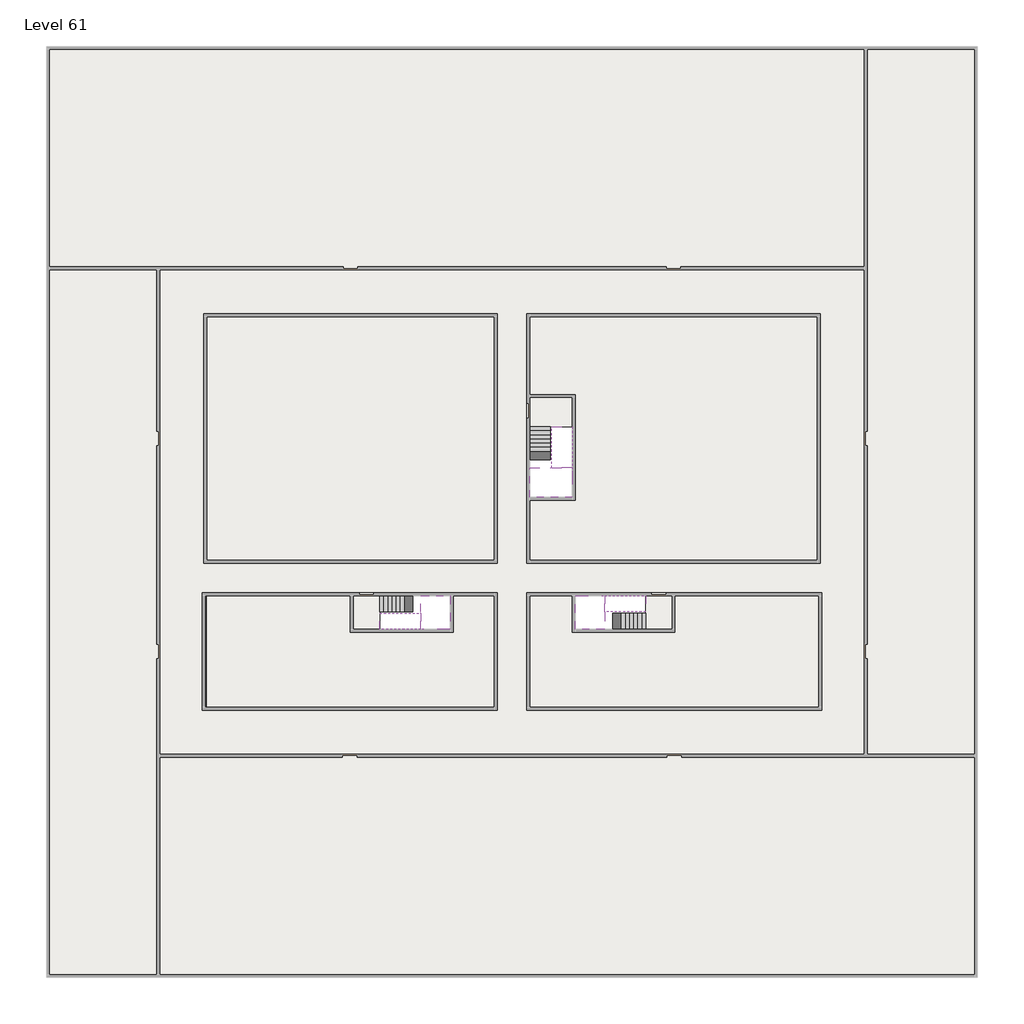
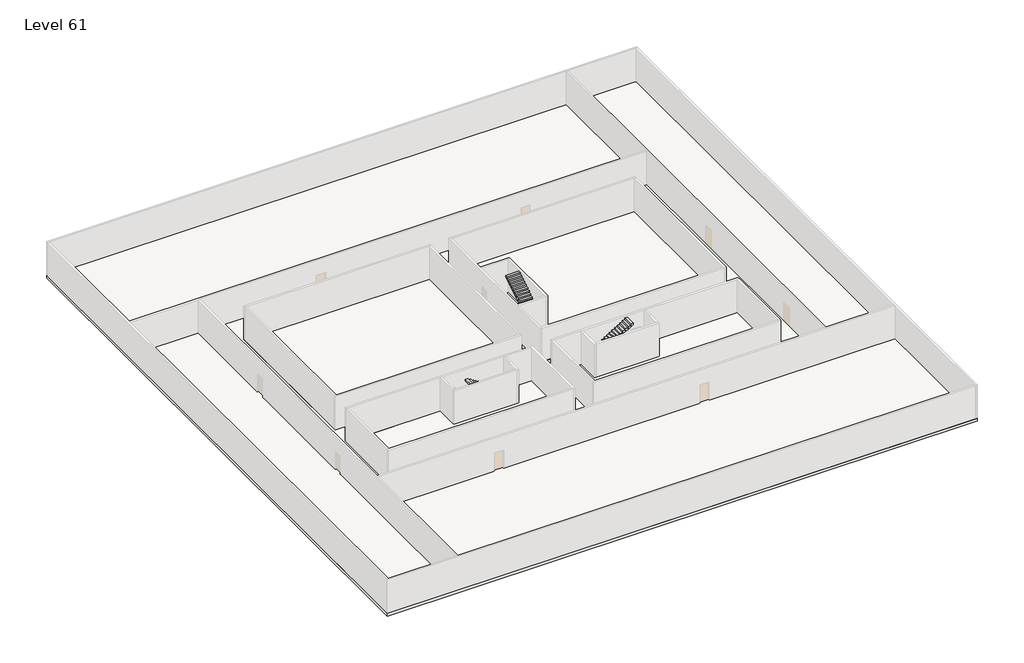
# One storey, part 2 of 2: 6 slabs, 6 stair flights.
"""IFC4 building model written with IfcOpenShell, lengths in millimetres."""

from ifc_helpers import new_model, si_unit, frame, origin, place, context, project, spatial, polyline, outline, extrude, faceted_brep, element, save

model = new_model("IFC4")

# Units and contexts
model_context = context("Model", 3, world=origin())
ifc_project = project(units=[si_unit("LENGTHUNIT", "METRE", prefix="MILLI")], contexts=[model_context])

# Site, building, storey
site = spatial("IfcSite", under=ifc_project)
building = spatial("IfcBuilding", under=site)
storey = spatial("IfcBuildingStorey", under=building, Name="Level 61", Elevation=228000.0)

# Slabs
placement = place(None, origin())
element("IfcSlab", 1, at=placement, inside=storey, context=model_context, shape_type="SweptSolid", body=[
    extrude(outline(polyline([(55890.1058784, -5518.09644), (55890.1058784, -68918.09644), (-7509.8941216, -68918.09644), (-7509.8941216, -5518.09644), (55890.1058784, -5518.09644)]), holes=[polyline([(23190.1058784, -23718.09644), (3190.1058784, -23718.09644), (3190.1058784, -40718.09644), (23190.1058784, -40718.09644), (23190.1058784, -23718.09644)]), polyline([(45190.1058784, -23718.09644), (25190.1058784, -23718.09644), (25190.1058784, -40718.09644), (45190.1058784, -40718.09644), (45190.1058784, -23718.09644)]), polyline([(23190.1058784, -50718.09644), (23190.1058784, -42718.09644), (3390.1058784, -42718.09644), (3390.1058784, -50718.09644), (23190.1058784, -50718.09644)]), polyline([(25190.1058784, -50718.09644), (45190.1058784, -50718.09644), (45190.1058784, -42718.09644), (25190.1058784, -42718.09644), (25190.1058784, -50718.09644)])]), frame((0.0, 0.0, 227700.0), z_axis=(0.0, 0.0, 1.0), x_axis=(1.0, 0.0, 0.0)), (0.0, 0.0, 1.0), 300.0),
])
element("IfcSlab", 2, at=placement, inside=storey, context=model_context, shape_type="Brep", body=[
    faceted_brep([(26790.1058784, -34218.09644, 229900.0), (25390.1058784, -34218.09644, 229900.0), (25390.1058784, -34297.4828763, 229900.0), (25390.1058784, -36218.09644, 229900.0), (28290.1058784, -36218.09644, 229900.0), (28290.1058784, -34418.7100038, 229900.0), (28290.1058784, -34218.09644, 229900.0), (26890.1058784, -34218.09644, 229900.0), (26790.1058784, -34218.09644, 229600.0), (26790.1058784, -34218.09644, 229551.0278478), (25390.1058784, -34218.09644, 229551.0278478), (25390.1058784, -34218.09644, 229727.2727273), (25390.1058784, -34297.4828763, 229600.0), (25390.1058784, -36218.09644, 229600.0), (28290.1058784, -36218.09644, 229600.0), (28290.1058784, -34418.7100038, 229600.0), (28290.1058784, -34218.09644, 229723.7551205), (26890.1058784, -34218.09644, 229723.7551205), (26890.1058784, -34218.09644, 229600.0), (26890.1058784, -34418.7100038, 229600.0), (26790.1058784, -34297.4828763, 229600.0)], [[[0, 1, 2, 3, 4, 5, 6, 7]], [[1, 0, 8, 9, 10, 11]], [[1, 11, 10, 12, 13, 3, 2]], [[4, 3, 13, 14]], [[4, 14, 15, 16, 6, 5]], [[7, 6, 16, 17]], [[0, 7, 17, 18, 8]], [[18, 19, 15, 14, 13, 12, 20, 8]], [[19, 18, 17]], [[20, 12, 10, 9]], [[8, 20, 9]], [[15, 19, 17, 16]]]),
])
element("IfcSlab", 3, at=placement, inside=storey, context=model_context, shape_type="SweptSolid", body=[
    extrude(outline(polyline([(22990.1058784, -23918.09644), (22990.1058784, -40518.09644), (3390.1058784, -40518.09644), (3390.1058784, -23918.09644), (22990.1058784, -23918.09644)])), frame((0.0, 0.0, 227700.0), z_axis=(0.0, 0.0, 1.0), x_axis=(1.0, 0.0, 0.0)), (0.0, 0.0, 1.0), 300.0),
    extrude(outline(polyline([(44990.1058784, -23918.09644), (44990.1058784, -40518.09644), (25390.1058784, -40518.09644), (25390.1058784, -36418.09644), (28490.1058784, -36418.09644), (28490.1058784, -29218.09644), (25390.1058784, -29218.09644), (25390.1058784, -23918.09644), (44990.1058784, -23918.09644)])), frame((0.0, 0.0, 227700.0), z_axis=(0.0, 0.0, 1.0), x_axis=(1.0, 0.0, 0.0)), (0.0, 0.0, 1.0), 300.0),
    extrude(outline(polyline([(22990.1058784, -42918.09644), (22990.1058784, -50518.09644), (3390.1058784, -50518.09644), (3390.1058784, -42918.09644), (13190.1058784, -42918.09644), (13190.1058784, -45418.09644), (20190.1058784, -45418.09644), (20190.1058784, -42918.09644), (22990.1058784, -42918.09644)])), frame((0.0, 0.0, 227700.0), z_axis=(0.0, 0.0, 1.0), x_axis=(1.0, 0.0, 0.0)), (0.0, 0.0, 1.0), 300.0),
    extrude(outline(polyline([(28290.1058784, -42918.09644), (28290.1058784, -45418.09644), (35290.1058784, -45418.09644), (35290.1058784, -42918.09644), (45090.1058784, -42918.09644), (45090.1058784, -50518.09644), (25390.1058784, -50518.09644), (25390.1058784, -42918.09644), (28290.1058784, -42918.09644)])), frame((0.0, 0.0, 227700.0), z_axis=(0.0, 0.0, 1.0), x_axis=(1.0, 0.0, 0.0)), (0.0, 0.0, 1.0), 300.0),
])
element("IfcSlab", 4, at=placement, inside=storey, context=model_context, shape_type="Brep", body=[
    faceted_brep([(30490.1058784, -45218.09644, 229900.0), (30490.1058784, -44118.09644, 229900.0), (30490.1058784, -44018.09644, 229900.0), (30490.1058784, -42918.09644, 229900.0), (30289.4923146, -42918.09644, 229900.0), (28490.1058784, -42918.09644, 229900.0), (28490.1058784, -45218.09644, 229900.0), (30410.7194421, -45218.09644, 229900.0), (30490.1058784, -45218.09644, 229727.2727273), (30490.1058784, -45218.09644, 229551.0278478), (30490.1058784, -44118.09644, 229551.0278478), (30490.1058784, -44118.09644, 229600.0), (30490.1058784, -44018.09644, 229600.0), (30490.1058784, -44018.09644, 229723.7551205), (30490.1058784, -42918.09644, 229723.7551205), (30289.4923146, -42918.09644, 229600.0), (28490.1058784, -42918.09644, 229600.0), (28490.1058784, -45218.09644, 229600.0), (30410.7194421, -45218.09644, 229600.0), (30289.4923146, -44018.09644, 229600.0), (30410.7194421, -44118.09644, 229600.0)], [[[0, 1, 2, 3, 4, 5, 6, 7]], [[1, 0, 8, 9, 10, 11]], [[2, 1, 11, 12, 13]], [[3, 2, 13, 14]], [[3, 14, 15, 16, 5, 4]], [[6, 5, 16, 17]], [[9, 8, 0, 7, 6, 17, 18]], [[19, 12, 11, 20, 18, 17, 16, 15]], [[12, 19, 13]], [[18, 20, 10, 9]], [[20, 11, 10]], [[19, 15, 14, 13]]]),
])
element("IfcSlab", 5, at=placement, inside=storey, context=model_context, shape_type="Brep", body=[
    faceted_brep([(17990.1058784, -42918.09644, 229900.0), (17990.1058784, -44018.09644, 229900.0), (17990.1058784, -44118.09644, 229900.0), (17990.1058784, -45218.09644, 229900.0), (18190.7194421, -45218.09644, 229900.0), (19990.1058784, -45218.09644, 229900.0), (19990.1058784, -42918.09644, 229900.0), (18069.4923146, -42918.09644, 229900.0), (17990.1058784, -42918.09644, 229727.2727273), (17990.1058784, -42918.09644, 229551.0278478), (17990.1058784, -44018.09644, 229551.0278478), (17990.1058784, -44018.09644, 229600.0), (17990.1058784, -44118.09644, 229600.0), (17990.1058784, -44118.09644, 229723.7551205), (17990.1058784, -45218.09644, 229723.7551205), (18190.7194421, -45218.09644, 229600.0), (19990.1058784, -45218.09644, 229600.0), (19990.1058784, -42918.09644, 229600.0), (18069.4923146, -42918.09644, 229600.0), (18190.7194421, -44118.09644, 229600.0), (18069.4923146, -44018.09644, 229600.0)], [[[0, 1, 2, 3, 4, 5, 6, 7]], [[1, 0, 8, 9, 10, 11]], [[2, 1, 11, 12, 13]], [[3, 2, 13, 14]], [[3, 14, 15, 16, 5, 4]], [[6, 5, 16, 17]], [[9, 8, 0, 7, 6, 17, 18]], [[19, 12, 11, 20, 18, 17, 16, 15]], [[12, 19, 13]], [[18, 20, 10, 9]], [[20, 11, 10]], [[19, 15, 14, 13]]]),
])
element("IfcSlab", 6, at=placement, inside=storey, context=model_context, shape_type="SweptSolid", body=[
    extrude(outline(polyline([(25190.1058784, -29418.09644), (28290.1058784, -29418.09644), (28290.1058784, -31418.09644), (25190.1058784, -31418.09644), (25190.1058784, -29418.09644)])), frame((0.0, 0.0, 227700.0), z_axis=(0.0, 0.0, 1.0), x_axis=(1.0, 0.0, 0.0)), (0.0, 0.0, 1.0), 300.0),
    extrude(outline(polyline([(15190.1058784, -45218.09644), (13390.1058784, -45218.09644), (13390.1058784, -42718.09644), (15190.1058784, -42718.09644), (15190.1058784, -45218.09644)])), frame((0.0, 0.0, 227700.0), z_axis=(0.0, 0.0, 1.0), x_axis=(1.0, 0.0, 0.0)), (0.0, 0.0, 1.0), 300.0),
    extrude(outline(polyline([(35090.1058784, -45218.09644), (33290.1058784, -45218.09644), (33290.1058784, -42718.09644), (35090.1058784, -42718.09644), (35090.1058784, -45218.09644)])), frame((0.0, 0.0, 227700.0), z_axis=(0.0, 0.0, 1.0), x_axis=(1.0, 0.0, 0.0)), (0.0, 0.0, 1.0), 300.0),
])

# Stair flights
element("IfcStairFlight", 7, at=placement, inside=storey, context=model_context, shape_type="Brep", body=[
    faceted_brep([(26790.1058784, -31698.09644, 228172.7272727), (26790.1058784, -31418.09644, 228172.7272727), (25390.1058784, -31418.09644, 228172.7272727), (25390.1058784, -31698.09644, 228172.7272727), (26790.1058784, -31698.09644, 228000.0), (26790.1058784, -31418.09644, 228000.0), (25390.1058784, -31418.09644, 228000.0), (25390.1058784, -31698.09644, 228000.0), (26790.1058784, -31978.09644, 228345.4545455), (26790.1058784, -31698.09644, 228345.4545455), (25390.1058784, -31698.09644, 228345.4545455), (25390.1058784, -31978.09644, 228345.4545455), (26790.1058784, -31978.09644, 228169.209666), (26790.1058784, -31703.7986657, 228000.0), (25390.1058784, -31703.7986657, 228000.0), (25390.1058784, -31978.09644, 228169.209666), (26790.1058784, -32258.09644, 228518.1818182), (26790.1058784, -31978.09644, 228518.1818182), (25390.1058784, -31978.09644, 228518.1818182), (25390.1058784, -32258.09644, 228518.1818182), (26790.1058784, -32258.09644, 228341.9369387), (25390.1058784, -32258.09644, 228341.9369387), (26790.1058784, -32538.09644, 228690.9090909), (26790.1058784, -32258.09644, 228690.9090909), (25390.1058784, -32258.09644, 228690.9090909), (25390.1058784, -32538.09644, 228690.9090909), (26790.1058784, -32538.09644, 228514.6642114), (25390.1058784, -32538.09644, 228514.6642114), (26790.1058784, -32818.09644, 228863.6363636), (26790.1058784, -32538.09644, 228863.6363636), (25390.1058784, -32538.09644, 228863.6363636), (25390.1058784, -32818.09644, 228863.6363636), (26790.1058784, -32818.09644, 228687.3914841), (25390.1058784, -32818.09644, 228687.3914841), (26790.1058784, -33098.09644, 229036.3636364), (26790.1058784, -32818.09644, 229036.3636364), (25390.1058784, -32818.09644, 229036.3636364), (25390.1058784, -33098.09644, 229036.3636364), (26790.1058784, -33098.09644, 228860.1187569), (25390.1058784, -33098.09644, 228860.1187569), (26790.1058784, -33378.09644, 229209.0909091), (26790.1058784, -33098.09644, 229209.0909091), (25390.1058784, -33098.09644, 229209.0909091), (25390.1058784, -33378.09644, 229209.0909091), (26790.1058784, -33378.09644, 229032.8460296), (25390.1058784, -33378.09644, 229032.8460296), (26790.1058784, -33658.09644, 229381.8181818), (26790.1058784, -33378.09644, 229381.8181818), (25390.1058784, -33378.09644, 229381.8181818), (25390.1058784, -33658.09644, 229381.8181818), (26790.1058784, -33658.09644, 229205.5733023), (25390.1058784, -33658.09644, 229205.5733023), (26790.1058784, -33938.09644, 229554.5454545), (26790.1058784, -33658.09644, 229554.5454545), (25390.1058784, -33658.09644, 229554.5454545), (25390.1058784, -33938.09644, 229554.5454545), (26790.1058784, -33938.09644, 229378.3005751), (25390.1058784, -33938.09644, 229378.3005751), (26790.1058784, -34218.09644, 229727.2727273), (26790.1058784, -33938.09644, 229727.2727273), (25390.1058784, -33938.09644, 229727.2727273), (25390.1058784, -34218.09644, 229727.2727273), (26790.1058784, -34218.09644, 229600.0), (26790.1058784, -34218.09644, 229551.0278478), (25390.1058784, -34218.09644, 229551.0278478)], [[[0, 1, 2, 3]], [[1, 0, 4, 5]], [[2, 1, 5, 6]], [[3, 2, 6, 7]], [[8, 9, 10, 11]], [[4, 0, 9, 8, 12, 13]], [[0, 3, 10, 9]], [[3, 7, 14, 15, 11, 10]], [[16, 17, 18, 19]], [[17, 16, 20, 12, 8]], [[8, 11, 18, 17]], [[19, 18, 11, 15, 21]], [[22, 23, 24, 25]], [[23, 22, 26, 20, 16]], [[16, 19, 24, 23]], [[25, 24, 19, 21, 27]], [[28, 29, 30, 31]], [[29, 28, 32, 26, 22]], [[22, 25, 30, 29]], [[31, 30, 25, 27, 33]], [[34, 35, 36, 37]], [[35, 34, 38, 32, 28]], [[28, 31, 36, 35]], [[37, 36, 31, 33, 39]], [[40, 41, 42, 43]], [[41, 40, 44, 38, 34]], [[34, 37, 42, 41]], [[43, 42, 37, 39, 45]], [[46, 47, 48, 49]], [[47, 46, 50, 44, 40]], [[40, 43, 48, 47]], [[49, 48, 43, 45, 51]], [[52, 53, 54, 55]], [[53, 52, 56, 50, 46]], [[46, 49, 54, 53]], [[55, 54, 49, 51, 57]], [[58, 59, 60, 61]], [[59, 58, 62, 63, 56, 52]], [[52, 55, 60, 59]], [[61, 60, 55, 57, 64]], [[58, 61, 64, 63, 62]], [[5, 4, 13, 14, 7, 6]], [[14, 13, 12, 20, 26, 32, 38, 44, 50, 56, 63, 64, 57, 51, 45, 39, 33, 27, 21, 15]]]),
])
element("IfcStairFlight", 8, at=placement, inside=storey, context=model_context, shape_type="Brep", body=[
    faceted_brep([(26890.1058784, -33938.09644, 230072.7272727), (26890.1058784, -34218.09644, 230072.7272727), (28290.1058784, -34218.09644, 230072.7272727), (28290.1058784, -33938.09644, 230072.7272727), (26890.1058784, -33938.09644, 229896.4823932), (26890.1058784, -34218.09644, 229723.7551205), (28290.1058784, -34218.09644, 229723.7551205), (28290.1058784, -34218.09644, 229900.0), (28290.1058784, -33938.09644, 229896.4823932), (26890.1058784, -33658.09644, 230245.4545455), (26890.1058784, -33938.09644, 230245.4545455), (28290.1058784, -33938.09644, 230245.4545455), (28290.1058784, -33658.09644, 230245.4545455), (26890.1058784, -33658.09644, 230069.209666), (28290.1058784, -33658.09644, 230069.209666), (26890.1058784, -33378.09644, 230418.1818182), (26890.1058784, -33658.09644, 230418.1818182), (28290.1058784, -33658.09644, 230418.1818182), (28290.1058784, -33378.09644, 230418.1818182), (26890.1058784, -33378.09644, 230241.9369387), (28290.1058784, -33378.09644, 230241.9369387), (26890.1058784, -33098.09644, 230590.9090909), (26890.1058784, -33378.09644, 230590.9090909), (28290.1058784, -33378.09644, 230590.9090909), (28290.1058784, -33098.09644, 230590.9090909), (26890.1058784, -33098.09644, 230414.6642114), (28290.1058784, -33098.09644, 230414.6642114), (26890.1058784, -32818.09644, 230763.6363636), (26890.1058784, -33098.09644, 230763.6363636), (28290.1058784, -33098.09644, 230763.6363636), (28290.1058784, -32818.09644, 230763.6363636), (26890.1058784, -32818.09644, 230587.3914841), (28290.1058784, -32818.09644, 230587.3914841), (26890.1058784, -32538.09644, 230936.3636364), (26890.1058784, -32818.09644, 230936.3636364), (28290.1058784, -32818.09644, 230936.3636364), (28290.1058784, -32538.09644, 230936.3636364), (26890.1058784, -32538.09644, 230760.1187569), (28290.1058784, -32538.09644, 230760.1187569), (26890.1058784, -32258.09644, 231109.0909091), (26890.1058784, -32538.09644, 231109.0909091), (28290.1058784, -32538.09644, 231109.0909091), (28290.1058784, -32258.09644, 231109.0909091), (26890.1058784, -32258.09644, 230932.8460296), (28290.1058784, -32258.09644, 230932.8460296), (26890.1058784, -31978.09644, 231281.8181818), (26890.1058784, -32258.09644, 231281.8181818), (28290.1058784, -32258.09644, 231281.8181818), (28290.1058784, -31978.09644, 231281.8181818), (26890.1058784, -31978.09644, 231105.5733023), (28290.1058784, -31978.09644, 231105.5733023), (26890.1058784, -31698.09644, 231454.5454545), (26890.1058784, -31978.09644, 231454.5454545), (28290.1058784, -31978.09644, 231454.5454545), (28290.1058784, -31698.09644, 231454.5454545), (26890.1058784, -31698.09644, 231278.3005751), (28290.1058784, -31698.09644, 231278.3005751), (26890.1058784, -31418.09644, 231627.2727273), (26890.1058784, -31698.09644, 231627.2727273), (28290.1058784, -31698.09644, 231627.2727273), (28290.1058784, -31418.09644, 231627.2727273), (26890.1058784, -31418.09644, 231451.0278478), (28290.1058784, -31418.09644, 231451.0278478)], [[[0, 1, 2, 3]], [[1, 0, 4, 5]], [[2, 1, 5, 6, 7]], [[3, 2, 7, 6, 8]], [[9, 10, 11, 12]], [[10, 9, 13, 4, 0]], [[11, 10, 0, 3]], [[12, 11, 3, 8, 14]], [[15, 16, 17, 18]], [[16, 15, 19, 13, 9]], [[17, 16, 9, 12]], [[18, 17, 12, 14, 20]], [[21, 22, 23, 24]], [[22, 21, 25, 19, 15]], [[23, 22, 15, 18]], [[24, 23, 18, 20, 26]], [[27, 28, 29, 30]], [[28, 27, 31, 25, 21]], [[29, 28, 21, 24]], [[30, 29, 24, 26, 32]], [[33, 34, 35, 36]], [[34, 33, 37, 31, 27]], [[35, 34, 27, 30]], [[36, 35, 30, 32, 38]], [[39, 40, 41, 42]], [[40, 39, 43, 37, 33]], [[41, 40, 33, 36]], [[42, 41, 36, 38, 44]], [[45, 46, 47, 48]], [[46, 45, 49, 43, 39]], [[47, 46, 39, 42]], [[48, 47, 42, 44, 50]], [[51, 52, 53, 54]], [[52, 51, 55, 49, 45]], [[53, 52, 45, 48]], [[54, 53, 48, 50, 56]], [[57, 58, 59, 60]], [[58, 57, 61, 55, 51]], [[59, 58, 51, 54]], [[60, 59, 54, 56, 62]], [[57, 60, 62, 61]], [[5, 4, 13, 19, 25, 31, 37, 43, 49, 55, 61, 62, 56, 50, 44, 38, 32, 26, 20, 14, 8, 6]]]),
])
element("IfcStairFlight", 9, at=placement, inside=storey, context=model_context, shape_type="Brep", body=[
    faceted_brep([(33010.1058784, -45218.09644, 228172.7272727), (33290.1058784, -45218.09644, 228172.7272727), (33290.1058784, -44118.09644, 228172.7272727), (33010.1058784, -44118.09644, 228172.7272727), (33010.1058784, -45218.09644, 228000.0), (33290.1058784, -45218.09644, 228000.0), (33290.1058784, -44118.09644, 228000.0), (33010.1058784, -44118.09644, 228000.0), (32730.1058784, -45218.09644, 228345.4545455), (33010.1058784, -45218.09644, 228345.4545455), (33010.1058784, -44118.09644, 228345.4545455), (32730.1058784, -44118.09644, 228345.4545455), (32730.1058784, -45218.09644, 228169.209666), (33004.4036527, -45218.09644, 228000.0), (33004.4036527, -44118.09644, 228000.0), (32730.1058784, -44118.09644, 228169.209666), (32450.1058784, -45218.09644, 228518.1818182), (32730.1058784, -45218.09644, 228518.1818182), (32730.1058784, -44118.09644, 228518.1818182), (32450.1058784, -44118.09644, 228518.1818182), (32450.1058784, -45218.09644, 228341.9369387), (32450.1058784, -44118.09644, 228341.9369387), (32170.1058784, -45218.09644, 228690.9090909), (32450.1058784, -45218.09644, 228690.9090909), (32450.1058784, -44118.09644, 228690.9090909), (32170.1058784, -44118.09644, 228690.9090909), (32170.1058784, -45218.09644, 228514.6642114), (32170.1058784, -44118.09644, 228514.6642114), (31890.1058784, -45218.09644, 228863.6363636), (32170.1058784, -45218.09644, 228863.6363636), (32170.1058784, -44118.09644, 228863.6363636), (31890.1058784, -44118.09644, 228863.6363636), (31890.1058784, -45218.09644, 228687.3914841), (31890.1058784, -44118.09644, 228687.3914841), (31610.1058784, -45218.09644, 229036.3636364), (31890.1058784, -45218.09644, 229036.3636364), (31890.1058784, -44118.09644, 229036.3636364), (31610.1058784, -44118.09644, 229036.3636364), (31610.1058784, -45218.09644, 228860.1187569), (31610.1058784, -44118.09644, 228860.1187569), (31330.1058784, -45218.09644, 229209.0909091), (31610.1058784, -45218.09644, 229209.0909091), (31610.1058784, -44118.09644, 229209.0909091), (31330.1058784, -44118.09644, 229209.0909091), (31330.1058784, -45218.09644, 229032.8460296), (31330.1058784, -44118.09644, 229032.8460296), (31050.1058784, -45218.09644, 229381.8181818), (31330.1058784, -45218.09644, 229381.8181818), (31330.1058784, -44118.09644, 229381.8181818), (31050.1058784, -44118.09644, 229381.8181818), (31050.1058784, -45218.09644, 229205.5733023), (31050.1058784, -44118.09644, 229205.5733023), (30770.1058784, -45218.09644, 229554.5454545), (31050.1058784, -45218.09644, 229554.5454545), (31050.1058784, -44118.09644, 229554.5454545), (30770.1058784, -44118.09644, 229554.5454545), (30770.1058784, -45218.09644, 229378.3005751), (30770.1058784, -44118.09644, 229378.3005751), (30490.1058784, -45218.09644, 229727.2727273), (30770.1058784, -45218.09644, 229727.2727273), (30770.1058784, -44118.09644, 229727.2727273), (30490.1058784, -44118.09644, 229727.2727273), (30490.1058784, -45218.09644, 229551.0278478), (30490.1058784, -44118.09644, 229551.0278478), (30490.1058784, -44118.09644, 229600.0)], [[[0, 1, 2, 3]], [[1, 0, 4, 5]], [[2, 1, 5, 6]], [[3, 2, 6, 7]], [[8, 9, 10, 11]], [[4, 0, 9, 8, 12, 13]], [[0, 3, 10, 9]], [[3, 7, 14, 15, 11, 10]], [[16, 17, 18, 19]], [[17, 16, 20, 12, 8]], [[8, 11, 18, 17]], [[19, 18, 11, 15, 21]], [[22, 23, 24, 25]], [[23, 22, 26, 20, 16]], [[16, 19, 24, 23]], [[25, 24, 19, 21, 27]], [[28, 29, 30, 31]], [[29, 28, 32, 26, 22]], [[22, 25, 30, 29]], [[31, 30, 25, 27, 33]], [[34, 35, 36, 37]], [[35, 34, 38, 32, 28]], [[28, 31, 36, 35]], [[37, 36, 31, 33, 39]], [[40, 41, 42, 43]], [[41, 40, 44, 38, 34]], [[34, 37, 42, 41]], [[43, 42, 37, 39, 45]], [[46, 47, 48, 49]], [[47, 46, 50, 44, 40]], [[40, 43, 48, 47]], [[49, 48, 43, 45, 51]], [[52, 53, 54, 55]], [[53, 52, 56, 50, 46]], [[46, 49, 54, 53]], [[55, 54, 49, 51, 57]], [[58, 59, 60, 61]], [[59, 58, 62, 56, 52]], [[52, 55, 60, 59]], [[61, 60, 55, 57, 63, 64]], [[58, 61, 64, 63, 62]], [[5, 4, 13, 14, 7, 6]], [[14, 13, 12, 20, 26, 32, 38, 44, 50, 56, 62, 63, 57, 51, 45, 39, 33, 27, 21, 15]]]),
])
element("IfcStairFlight", 10, at=placement, inside=storey, context=model_context, shape_type="Brep", body=[
    faceted_brep([(30770.1058784, -42918.09644, 230072.7272727), (30490.1058784, -42918.09644, 230072.7272727), (30490.1058784, -44018.09644, 230072.7272727), (30770.1058784, -44018.09644, 230072.7272727), (30770.1058784, -42918.09644, 229896.4823932), (30490.1058784, -42918.09644, 229723.7551205), (30490.1058784, -42918.09644, 229900.0), (30490.1058784, -44018.09644, 229723.7551205), (30770.1058784, -44018.09644, 229896.4823932), (31050.1058784, -42918.09644, 230245.4545455), (30770.1058784, -42918.09644, 230245.4545455), (30770.1058784, -44018.09644, 230245.4545455), (31050.1058784, -44018.09644, 230245.4545455), (31050.1058784, -42918.09644, 230069.209666), (31050.1058784, -44018.09644, 230069.209666), (31330.1058784, -42918.09644, 230418.1818182), (31050.1058784, -42918.09644, 230418.1818182), (31050.1058784, -44018.09644, 230418.1818182), (31330.1058784, -44018.09644, 230418.1818182), (31330.1058784, -42918.09644, 230241.9369387), (31330.1058784, -44018.09644, 230241.9369387), (31610.1058784, -42918.09644, 230590.9090909), (31330.1058784, -42918.09644, 230590.9090909), (31330.1058784, -44018.09644, 230590.9090909), (31610.1058784, -44018.09644, 230590.9090909), (31610.1058784, -42918.09644, 230414.6642114), (31610.1058784, -44018.09644, 230414.6642114), (31890.1058784, -42918.09644, 230763.6363636), (31610.1058784, -42918.09644, 230763.6363636), (31610.1058784, -44018.09644, 230763.6363636), (31890.1058784, -44018.09644, 230763.6363636), (31890.1058784, -42918.09644, 230587.3914841), (31890.1058784, -44018.09644, 230587.3914841), (32170.1058784, -42918.09644, 230936.3636364), (31890.1058784, -42918.09644, 230936.3636364), (31890.1058784, -44018.09644, 230936.3636364), (32170.1058784, -44018.09644, 230936.3636364), (32170.1058784, -42918.09644, 230760.1187569), (32170.1058784, -44018.09644, 230760.1187569), (32450.1058784, -42918.09644, 231109.0909091), (32170.1058784, -42918.09644, 231109.0909091), (32170.1058784, -44018.09644, 231109.0909091), (32450.1058784, -44018.09644, 231109.0909091), (32450.1058784, -42918.09644, 230932.8460296), (32450.1058784, -44018.09644, 230932.8460296), (32730.1058784, -42918.09644, 231281.8181818), (32450.1058784, -42918.09644, 231281.8181818), (32450.1058784, -44018.09644, 231281.8181818), (32730.1058784, -44018.09644, 231281.8181818), (32730.1058784, -42918.09644, 231105.5733023), (32730.1058784, -44018.09644, 231105.5733023), (33010.1058784, -42918.09644, 231454.5454545), (32730.1058784, -42918.09644, 231454.5454545), (32730.1058784, -44018.09644, 231454.5454545), (33010.1058784, -44018.09644, 231454.5454545), (33010.1058784, -42918.09644, 231278.3005751), (33010.1058784, -44018.09644, 231278.3005751), (33290.1058784, -42918.09644, 231627.2727273), (33010.1058784, -42918.09644, 231627.2727273), (33010.1058784, -44018.09644, 231627.2727273), (33290.1058784, -44018.09644, 231627.2727273), (33290.1058784, -42918.09644, 231451.0278478), (33290.1058784, -44018.09644, 231451.0278478)], [[[0, 1, 2, 3]], [[1, 0, 4, 5, 6]], [[2, 1, 6, 5, 7]], [[3, 2, 7, 8]], [[9, 10, 11, 12]], [[10, 9, 13, 4, 0]], [[11, 10, 0, 3]], [[12, 11, 3, 8, 14]], [[15, 16, 17, 18]], [[16, 15, 19, 13, 9]], [[17, 16, 9, 12]], [[18, 17, 12, 14, 20]], [[21, 22, 23, 24]], [[22, 21, 25, 19, 15]], [[23, 22, 15, 18]], [[24, 23, 18, 20, 26]], [[27, 28, 29, 30]], [[28, 27, 31, 25, 21]], [[29, 28, 21, 24]], [[30, 29, 24, 26, 32]], [[33, 34, 35, 36]], [[34, 33, 37, 31, 27]], [[35, 34, 27, 30]], [[36, 35, 30, 32, 38]], [[39, 40, 41, 42]], [[40, 39, 43, 37, 33]], [[41, 40, 33, 36]], [[42, 41, 36, 38, 44]], [[45, 46, 47, 48]], [[46, 45, 49, 43, 39]], [[47, 46, 39, 42]], [[48, 47, 42, 44, 50]], [[51, 52, 53, 54]], [[52, 51, 55, 49, 45]], [[53, 52, 45, 48]], [[54, 53, 48, 50, 56]], [[57, 58, 59, 60]], [[58, 57, 61, 55, 51]], [[59, 58, 51, 54]], [[60, 59, 54, 56, 62]], [[57, 60, 62, 61]], [[5, 4, 13, 19, 25, 31, 37, 43, 49, 55, 61, 62, 56, 50, 44, 38, 32, 26, 20, 14, 8, 7]]]),
])
element("IfcStairFlight", 11, at=placement, inside=storey, context=model_context, shape_type="Brep", body=[
    faceted_brep([(15470.1058784, -42918.09644, 228172.7272727), (15190.1058784, -42918.09644, 228172.7272727), (15190.1058784, -44018.09644, 228172.7272727), (15470.1058784, -44018.09644, 228172.7272727), (15470.1058784, -42918.09644, 228000.0), (15190.1058784, -42918.09644, 228000.0), (15190.1058784, -44018.09644, 228000.0), (15470.1058784, -44018.09644, 228000.0), (15750.1058784, -42918.09644, 228345.4545455), (15470.1058784, -42918.09644, 228345.4545455), (15470.1058784, -44018.09644, 228345.4545455), (15750.1058784, -44018.09644, 228345.4545455), (15750.1058784, -42918.09644, 228169.209666), (15475.8081041, -42918.09644, 228000.0), (15475.8081041, -44018.09644, 228000.0), (15750.1058784, -44018.09644, 228169.209666), (16030.1058784, -42918.09644, 228518.1818182), (15750.1058784, -42918.09644, 228518.1818182), (15750.1058784, -44018.09644, 228518.1818182), (16030.1058784, -44018.09644, 228518.1818182), (16030.1058784, -42918.09644, 228341.9369387), (16030.1058784, -44018.09644, 228341.9369387), (16310.1058784, -42918.09644, 228690.9090909), (16030.1058784, -42918.09644, 228690.9090909), (16030.1058784, -44018.09644, 228690.9090909), (16310.1058784, -44018.09644, 228690.9090909), (16310.1058784, -42918.09644, 228514.6642114), (16310.1058784, -44018.09644, 228514.6642114), (16590.1058784, -42918.09644, 228863.6363636), (16310.1058784, -42918.09644, 228863.6363636), (16310.1058784, -44018.09644, 228863.6363636), (16590.1058784, -44018.09644, 228863.6363636), (16590.1058784, -42918.09644, 228687.3914841), (16590.1058784, -44018.09644, 228687.3914841), (16870.1058784, -42918.09644, 229036.3636364), (16590.1058784, -42918.09644, 229036.3636364), (16590.1058784, -44018.09644, 229036.3636364), (16870.1058784, -44018.09644, 229036.3636364), (16870.1058784, -42918.09644, 228860.1187569), (16870.1058784, -44018.09644, 228860.1187569), (17150.1058784, -42918.09644, 229209.0909091), (16870.1058784, -42918.09644, 229209.0909091), (16870.1058784, -44018.09644, 229209.0909091), (17150.1058784, -44018.09644, 229209.0909091), (17150.1058784, -42918.09644, 229032.8460296), (17150.1058784, -44018.09644, 229032.8460296), (17430.1058784, -42918.09644, 229381.8181818), (17150.1058784, -42918.09644, 229381.8181818), (17150.1058784, -44018.09644, 229381.8181818), (17430.1058784, -44018.09644, 229381.8181818), (17430.1058784, -42918.09644, 229205.5733023), (17430.1058784, -44018.09644, 229205.5733023), (17710.1058784, -42918.09644, 229554.5454545), (17430.1058784, -42918.09644, 229554.5454545), (17430.1058784, -44018.09644, 229554.5454545), (17710.1058784, -44018.09644, 229554.5454545), (17710.1058784, -42918.09644, 229378.3005751), (17710.1058784, -44018.09644, 229378.3005751), (17990.1058784, -42918.09644, 229727.2727273), (17710.1058784, -42918.09644, 229727.2727273), (17710.1058784, -44018.09644, 229727.2727273), (17990.1058784, -44018.09644, 229727.2727273), (17990.1058784, -42918.09644, 229551.0278478), (17990.1058784, -44018.09644, 229551.0278478), (17990.1058784, -44018.09644, 229600.0)], [[[0, 1, 2, 3]], [[1, 0, 4, 5]], [[2, 1, 5, 6]], [[3, 2, 6, 7]], [[8, 9, 10, 11]], [[4, 0, 9, 8, 12, 13]], [[0, 3, 10, 9]], [[3, 7, 14, 15, 11, 10]], [[16, 17, 18, 19]], [[17, 16, 20, 12, 8]], [[8, 11, 18, 17]], [[19, 18, 11, 15, 21]], [[22, 23, 24, 25]], [[23, 22, 26, 20, 16]], [[16, 19, 24, 23]], [[25, 24, 19, 21, 27]], [[28, 29, 30, 31]], [[29, 28, 32, 26, 22]], [[22, 25, 30, 29]], [[31, 30, 25, 27, 33]], [[34, 35, 36, 37]], [[35, 34, 38, 32, 28]], [[28, 31, 36, 35]], [[37, 36, 31, 33, 39]], [[40, 41, 42, 43]], [[41, 40, 44, 38, 34]], [[34, 37, 42, 41]], [[43, 42, 37, 39, 45]], [[46, 47, 48, 49]], [[47, 46, 50, 44, 40]], [[40, 43, 48, 47]], [[49, 48, 43, 45, 51]], [[52, 53, 54, 55]], [[53, 52, 56, 50, 46]], [[46, 49, 54, 53]], [[55, 54, 49, 51, 57]], [[58, 59, 60, 61]], [[59, 58, 62, 56, 52]], [[52, 55, 60, 59]], [[61, 60, 55, 57, 63, 64]], [[58, 61, 64, 63, 62]], [[5, 4, 13, 14, 7, 6]], [[14, 13, 12, 20, 26, 32, 38, 44, 50, 56, 62, 63, 57, 51, 45, 39, 33, 27, 21, 15]]]),
])
element("IfcStairFlight", 12, at=placement, inside=storey, context=model_context, shape_type="Brep", body=[
    faceted_brep([(17710.1058784, -45218.09644, 230072.7272727), (17990.1058784, -45218.09644, 230072.7272727), (17990.1058784, -44118.09644, 230072.7272727), (17710.1058784, -44118.09644, 230072.7272727), (17710.1058784, -45218.09644, 229896.4823932), (17990.1058784, -45218.09644, 229723.7551205), (17990.1058784, -45218.09644, 229900.0), (17990.1058784, -44118.09644, 229723.7551205), (17710.1058784, -44118.09644, 229896.4823932), (17430.1058784, -45218.09644, 230245.4545455), (17710.1058784, -45218.09644, 230245.4545455), (17710.1058784, -44118.09644, 230245.4545455), (17430.1058784, -44118.09644, 230245.4545455), (17430.1058784, -45218.09644, 230069.209666), (17430.1058784, -44118.09644, 230069.209666), (17150.1058784, -45218.09644, 230418.1818182), (17430.1058784, -45218.09644, 230418.1818182), (17430.1058784, -44118.09644, 230418.1818182), (17150.1058784, -44118.09644, 230418.1818182), (17150.1058784, -45218.09644, 230241.9369387), (17150.1058784, -44118.09644, 230241.9369387), (16870.1058784, -45218.09644, 230590.9090909), (17150.1058784, -45218.09644, 230590.9090909), (17150.1058784, -44118.09644, 230590.9090909), (16870.1058784, -44118.09644, 230590.9090909), (16870.1058784, -45218.09644, 230414.6642114), (16870.1058784, -44118.09644, 230414.6642114), (16590.1058784, -45218.09644, 230763.6363636), (16870.1058784, -45218.09644, 230763.6363636), (16870.1058784, -44118.09644, 230763.6363636), (16590.1058784, -44118.09644, 230763.6363636), (16590.1058784, -45218.09644, 230587.3914841), (16590.1058784, -44118.09644, 230587.3914841), (16310.1058784, -45218.09644, 230936.3636364), (16590.1058784, -45218.09644, 230936.3636364), (16590.1058784, -44118.09644, 230936.3636364), (16310.1058784, -44118.09644, 230936.3636364), (16310.1058784, -45218.09644, 230760.1187569), (16310.1058784, -44118.09644, 230760.1187569), (16030.1058784, -45218.09644, 231109.0909091), (16310.1058784, -45218.09644, 231109.0909091), (16310.1058784, -44118.09644, 231109.0909091), (16030.1058784, -44118.09644, 231109.0909091), (16030.1058784, -45218.09644, 230932.8460296), (16030.1058784, -44118.09644, 230932.8460296), (15750.1058784, -45218.09644, 231281.8181818), (16030.1058784, -45218.09644, 231281.8181818), (16030.1058784, -44118.09644, 231281.8181818), (15750.1058784, -44118.09644, 231281.8181818), (15750.1058784, -45218.09644, 231105.5733023), (15750.1058784, -44118.09644, 231105.5733023), (15470.1058784, -45218.09644, 231454.5454545), (15750.1058784, -45218.09644, 231454.5454545), (15750.1058784, -44118.09644, 231454.5454545), (15470.1058784, -44118.09644, 231454.5454545), (15470.1058784, -45218.09644, 231278.3005751), (15470.1058784, -44118.09644, 231278.3005751), (15190.1058784, -45218.09644, 231627.2727273), (15470.1058784, -45218.09644, 231627.2727273), (15470.1058784, -44118.09644, 231627.2727273), (15190.1058784, -44118.09644, 231627.2727273), (15190.1058784, -45218.09644, 231451.0278478), (15190.1058784, -44118.09644, 231451.0278478)], [[[0, 1, 2, 3]], [[1, 0, 4, 5, 6]], [[2, 1, 6, 5, 7]], [[3, 2, 7, 8]], [[9, 10, 11, 12]], [[10, 9, 13, 4, 0]], [[11, 10, 0, 3]], [[12, 11, 3, 8, 14]], [[15, 16, 17, 18]], [[16, 15, 19, 13, 9]], [[17, 16, 9, 12]], [[18, 17, 12, 14, 20]], [[21, 22, 23, 24]], [[22, 21, 25, 19, 15]], [[23, 22, 15, 18]], [[24, 23, 18, 20, 26]], [[27, 28, 29, 30]], [[28, 27, 31, 25, 21]], [[29, 28, 21, 24]], [[30, 29, 24, 26, 32]], [[33, 34, 35, 36]], [[34, 33, 37, 31, 27]], [[35, 34, 27, 30]], [[36, 35, 30, 32, 38]], [[39, 40, 41, 42]], [[40, 39, 43, 37, 33]], [[41, 40, 33, 36]], [[42, 41, 36, 38, 44]], [[45, 46, 47, 48]], [[46, 45, 49, 43, 39]], [[47, 46, 39, 42]], [[48, 47, 42, 44, 50]], [[51, 52, 53, 54]], [[52, 51, 55, 49, 45]], [[53, 52, 45, 48]], [[54, 53, 48, 50, 56]], [[57, 58, 59, 60]], [[58, 57, 61, 55, 51]], [[59, 58, 51, 54]], [[60, 59, 54, 56, 62]], [[57, 60, 62, 61]], [[5, 4, 13, 19, 25, 31, 37, 43, 49, 55, 61, 62, 56, 50, 44, 38, 32, 26, 20, 14, 8, 7]]]),
])

save(model, "model.ifc")
